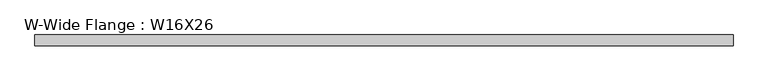
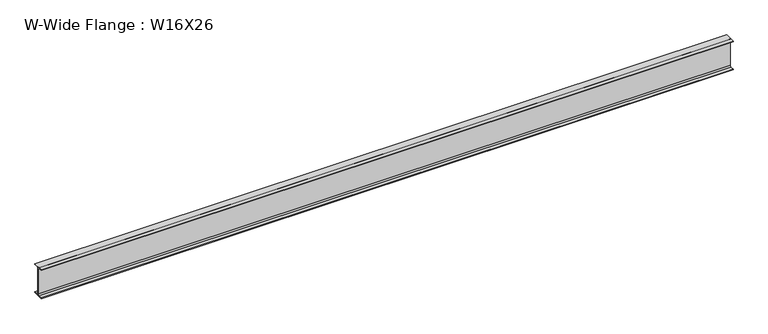
"""IFC4 building model written with IfcOpenShell, lengths in millimetres: beam geometry, W-Wide Flange : W16X26."""

from ifc_helpers import new_model, si_unit, point, frame, frame_2d, origin, place, context, project, spatial, polyline, circle_curve, trimmed, segment, composite_curve, outline, extrude, source, transform, mapped, element, save


def w_wide_flange_w16x26_4ac9458d(model_context):
    return source(origin(), model_context, "Body", "SweptSolid", [
        extrude(outline(composite_curve([segment(polyline([(69.85, -190.5496094), (69.85, -199.2808594), (-69.85, -199.2808594), (-69.85, -190.5496094), (-21.43125, -190.5496094)]), True, "CONTINUOUS"), segment(trimmed(circle_curve(frame_2d((-21.43125, -172.2933594)), 18.25625), [point((-21.43125, -190.5496094))], [point((-3.175, -172.2933594))], True, "CARTESIAN"), True, "CONTINUOUS"), segment(polyline([(-3.175, -172.2933594), (-3.175, 172.2933594)]), True, "CONTINUOUS"), segment(trimmed(circle_curve(frame_2d((-21.43125, 172.2933594)), 18.25625), [point((-3.175, 172.2933594))], [point((-21.43125, 190.5496094))], True, "CARTESIAN"), True, "CONTINUOUS"), segment(polyline([(-21.43125, 190.5496094), (-69.85, 190.5496094), (-69.85, 199.2808594), (69.85, 199.2808594), (69.85, 190.5496094), (21.43125, 190.5496094)]), True, "CONTINUOUS"), segment(trimmed(circle_curve(frame_2d((21.43125, 172.2933594)), 18.25625), [point((21.43125, 190.5496094))], [point((3.175, 172.2933594))], True, "CARTESIAN"), True, "CONTINUOUS"), segment(polyline([(3.175, 172.2933594), (3.175, -172.2933594)]), True, "CONTINUOUS"), segment(trimmed(circle_curve(frame_2d((21.43125, -172.2933594)), 18.25625), [point((3.175, -172.2933594))], [point((21.43125, -190.5496094))], True, "CARTESIAN"), True, "CONTINUOUS"), segment(polyline([(21.43125, -190.5496094), (69.85, -190.5496094)]), True, "CONTINUOUS")], self_intersect=False)), frame((-4495.9488281, 0.0, 0.0), z_axis=(1.0, 0.0, 0.0), x_axis=(0.0, 1.0, 0.0)), (0.0, 0.0, 1.0), 9023.4988281),
    ])


if __name__ == "__main__":
    model = new_model("IFC4")
    model_context = context("Model", 3, world=origin())
    ifc_project = project(units=[si_unit("LENGTHUNIT", "METRE", prefix="MILLI")], contexts=[model_context])
    site = spatial("IfcSite", under=ifc_project)
    building = spatial("IfcBuilding", under=site)
    placement = place(None, origin())
    w_wide_flange_w16x26_shape = w_wide_flange_w16x26_4ac9458d(model_context)
    element("IfcBeam", 1, ObjectType="W-Wide Flange : W16X26", at=placement, inside=building, context=model_context, shape_type="MappedRepresentation", body=[
        mapped(w_wide_flange_w16x26_shape, transform((0.0, 0.0, 0.0), x_axis=(1.0, 0.0, 0.0), y_axis=(0.0, 1.0, 0.0), z_axis=(0.0, 0.0, 1.0))),
    ])
    save(model, "model.ifc")
